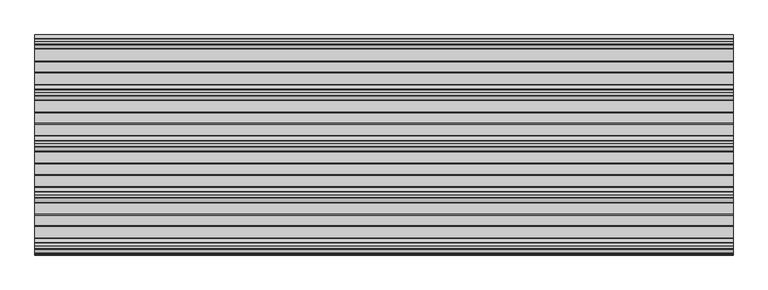
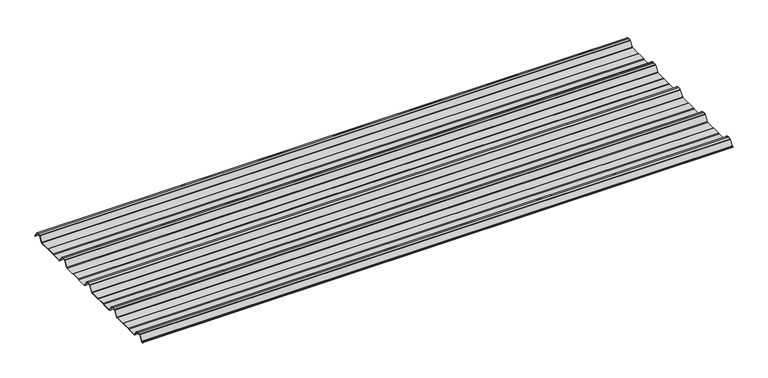
"""IFC4 building model written with IfcOpenShell, lengths in millimetres: beam geometry."""

from ifc_helpers import new_model, si_unit, point, frame, frame_2d, origin, place, context, project, spatial, polyline, circle_curve, trimmed, segment, composite_curve, outline, extrude, source, transform, mapped, element, save


def beam_6eb492fa(model_context):
    return source(origin(), model_context, "Body", "SweptSolid", [
        extrude(outline(composite_curve([segment(polyline([(-72.2377386, -25.7896475), (-76.3538889, -24.06703), (-113.6461111, -24.06703), (-117.7622614, -25.7896475), (-160.0, -25.7896475)]), True, "CONTINUOUS"), segment(trimmed(circle_curve(frame_2d((-159.2196788, -21.4509358)), 4.4083239), [point((-160.0, -25.7896475))], [point((-162.8209858, -23.9933574))], False, "CARTESIAN"), True, "CONTINUOUS"), segment(polyline([(-162.8209858, -23.9933574), (-178.3273257, -0.5940367)]), True, "CONTINUOUS"), segment(trimmed(circle_curve(frame_2d((-180.8929255, -2.3855242)), 3.1291741), [point((-178.3273257, -0.5940367))], [point((-179.9028031, 0.582874))], True, "CARTESIAN"), True, "CONTINUOUS"), segment(trimmed(circle_curve(frame_2d((-189.9940851, -29.8891871)), 32.0995402), [point((-179.9028031, 0.582874))], [point((-190.0, 2.2103525))], True, "CARTESIAN"), True, "CONTINUOUS"), segment(trimmed(circle_curve(frame_2d((-190.0059149, -29.8891871)), 32.0995402), [point((-190.0, 2.2103525))], [point((-200.0971969, 0.582874))], True, "CARTESIAN"), True, "CONTINUOUS"), segment(trimmed(circle_curve(frame_2d((-199.1070745, -2.3855242)), 3.1291741), [point((-200.0971969, 0.582874))], [point((-201.6726743, -0.5940367))], True, "CARTESIAN"), True, "CONTINUOUS"), segment(polyline([(-201.6726743, -0.5940367), (-217.1790142, -23.9933574)]), True, "CONTINUOUS"), segment(trimmed(circle_curve(frame_2d((-220.7803212, -21.4509358)), 4.4083239), [point((-217.1790142, -23.9933574))], [point((-220.0, -25.7896475))], False, "CARTESIAN"), True, "CONTINUOUS"), segment(polyline([(-220.0, -25.7896475), (-262.2377386, -25.7896475), (-266.3538889, -24.06703), (-303.6461111, -24.06703), (-307.7622614, -25.7896475), (-350.0, -25.7896475)]), True, "CONTINUOUS"), segment(trimmed(circle_curve(frame_2d((-349.2196788, -21.4509358)), 4.4083239), [point((-350.0, -25.7896475))], [point((-352.8209858, -23.9933574))], False, "CARTESIAN"), True, "CONTINUOUS"), segment(polyline([(-352.8209858, -23.9933574), (-368.3273257, -0.5940367)]), True, "CONTINUOUS"), segment(trimmed(circle_curve(frame_2d((-370.8929255, -2.3855242)), 3.1291741), [point((-368.3273257, -0.5940367))], [point((-369.9028031, 0.582874))], True, "CARTESIAN"), True, "CONTINUOUS"), segment(trimmed(circle_curve(frame_2d((-379.9940851, -29.8891871)), 32.0995402), [point((-369.9028031, 0.582874))], [point((-380.0, 2.2103525))], True, "CARTESIAN"), True, "CONTINUOUS"), segment(trimmed(circle_curve(frame_2d((-380.0059149, -29.8891871)), 32.0995402), [point((-380.0, 2.2103525))], [point((-390.0971969, 0.582874))], True, "CARTESIAN"), True, "CONTINUOUS"), segment(trimmed(circle_curve(frame_2d((-389.1070745, -2.3855242)), 3.1291741), [point((-390.0971969, 0.582874))], [point((-391.6726743, -0.5940367))], True, "CARTESIAN"), True, "CONTINUOUS"), segment(polyline([(-391.6726743, -0.5940367), (-407.1790142, -23.9933574)]), True, "CONTINUOUS"), segment(trimmed(circle_curve(frame_2d((-410.7803212, -21.4509358)), 4.4083239), [point((-407.1790142, -23.9933574))], [point((-410.0, -25.7896475))], False, "CARTESIAN"), True, "CONTINUOUS"), segment(polyline([(-410.0, -25.7896475), (-452.2377387, -25.7896475), (-456.3538889, -24.06703), (-493.6461111, -24.06703), (-497.7622614, -25.7896475), (-540.0, -25.7896475)]), True, "CONTINUOUS"), segment(trimmed(circle_curve(frame_2d((-539.2196788, -21.4509358)), 4.4083239), [point((-540.0, -25.7896475))], [point((-542.8209858, -23.9933574))], False, "CARTESIAN"), True, "CONTINUOUS"), segment(polyline([(-542.8209858, -23.9933574), (-558.3273257, -0.5940367)]), True, "CONTINUOUS"), segment(trimmed(circle_curve(frame_2d((-560.8929255, -2.3855242)), 3.1291741), [point((-558.3273257, -0.5940367))], [point((-559.9028031, 0.582874))], True, "CARTESIAN"), True, "CONTINUOUS"), segment(trimmed(circle_curve(frame_2d((-569.9940851, -29.8891871)), 32.0995402), [point((-559.9028031, 0.582874))], [point((-570.0, 2.2103525))], True, "CARTESIAN"), True, "CONTINUOUS"), segment(trimmed(circle_curve(frame_2d((-570.0059149, -29.8891871)), 32.0995402), [point((-570.0, 2.2103525))], [point((-580.0971969, 0.582874))], True, "CARTESIAN"), True, "CONTINUOUS"), segment(trimmed(circle_curve(frame_2d((-579.1070745, -2.3855242)), 3.1291741), [point((-580.0971969, 0.582874))], [point((-581.6726743, -0.5940367))], True, "CARTESIAN"), True, "CONTINUOUS"), segment(polyline([(-581.6726743, -0.5940367), (-597.1790142, -23.9933574)]), True, "CONTINUOUS"), segment(trimmed(circle_curve(frame_2d((-600.7803212, -21.4509358)), 4.4083239), [point((-597.1790142, -23.9933574))], [point((-600.0, -25.7896475))], False, "CARTESIAN"), True, "CONTINUOUS"), segment(polyline([(-600.0, -25.7896475), (-642.2377387, -25.7896475), (-646.3538889, -24.06703), (-683.6461111, -24.06703), (-687.7622614, -25.7896475), (-730.0, -25.7896475)]), True, "CONTINUOUS"), segment(trimmed(circle_curve(frame_2d((-729.2196788, -21.4509358)), 4.4083239), [point((-730.0, -25.7896475))], [point((-732.8209858, -23.9933574))], False, "CARTESIAN"), True, "CONTINUOUS"), segment(polyline([(-732.8209858, -23.9933574), (-748.3273257, -0.5940367)]), True, "CONTINUOUS"), segment(trimmed(circle_curve(frame_2d((-750.8929255, -2.3855242)), 3.1291741), [point((-748.3273257, -0.5940367))], [point((-749.9028031, 0.582874))], True, "CARTESIAN"), True, "CONTINUOUS"), segment(trimmed(circle_curve(frame_2d((-759.9940851, -29.8891871)), 32.0995402), [point((-749.9028031, 0.582874))], [point((-760.0, 2.2103525))], True, "CARTESIAN"), True, "CONTINUOUS"), segment(trimmed(circle_curve(frame_2d((-760.0059149, -29.8891871)), 32.0995402), [point((-760.0, 2.2103525))], [point((-770.0971969, 0.582874))], True, "CARTESIAN"), True, "CONTINUOUS"), segment(trimmed(circle_curve(frame_2d((-769.1070745, -2.3855242)), 3.1291741), [point((-770.0971969, 0.582874))], [point((-771.6726743, -0.5940367))], True, "CARTESIAN"), True, "CONTINUOUS"), segment(polyline([(-771.6726743, -0.5940367), (-785.8536479, -21.993358)]), True, "CONTINUOUS"), segment(trimmed(circle_curve(frame_2d((-789.4549545, -19.4509358)), 4.4083239), [point((-785.8536479, -21.993358))], [point((-788.6746333, -23.7896475))], False, "CARTESIAN"), True, "CONTINUOUS"), segment(polyline([(-788.6746333, -23.7896475), (-792.3232685, -23.7896475)]), True, "CONTINUOUS"), segment(trimmed(circle_curve(frame_2d((-792.3232685, -23.2896475)), 0.5), [point((-792.3232685, -23.7896475))], [point((-792.3232685, -22.7896475))], False, "CARTESIAN"), True, "CONTINUOUS"), segment(polyline([(-792.3232685, -22.7896475), (-788.769625, -22.7896475)]), True, "CONTINUOUS"), segment(trimmed(circle_curve(frame_2d((-789.4549545, -19.4509358)), 3.4083239), [point((-788.769625, -22.7896475))], [point((-786.6785605, -21.42788))], True, "CARTESIAN"), True, "CONTINUOUS"), segment(polyline([(-786.6785605, -21.42788), (-772.5, -0.0322)]), True, "CONTINUOUS"), segment(trimmed(circle_curve(frame_2d((-769.1070745, -2.3855242)), 4.1291741), [point((-772.5, -0.0322))], [point((-770.41253, 1.5318556))], False, "CARTESIAN"), True, "CONTINUOUS"), segment(trimmed(circle_curve(frame_2d((-760.0059149, -29.8891871)), 33.0995402), [point((-770.41253, 1.5318556))], [point((-760.0, 3.2103525))], False, "CARTESIAN"), True, "CONTINUOUS"), segment(trimmed(circle_curve(frame_2d((-759.9940851, -29.8891871)), 33.0995402), [point((-760.0, 3.2103525))], [point((-749.58747, 1.5318556))], False, "CARTESIAN"), True, "CONTINUOUS"), segment(trimmed(circle_curve(frame_2d((-750.8929255, -2.3855242)), 4.1291741), [point((-749.58747, 1.5318556))], [point((-747.5, -0.0322))], False, "CARTESIAN"), True, "CONTINUOUS"), segment(polyline([(-747.5, -0.0322), (-732.1223092, -23.2373872)]), True, "CONTINUOUS"), segment(trimmed(circle_curve(frame_2d((-729.2196788, -21.4509358)), 3.4083239), [point((-732.1223092, -23.2373872))], [point((-729.9050084, -24.7896475))], True, "CARTESIAN"), True, "CONTINUOUS"), segment(polyline([(-729.9050084, -24.7896475), (-687.9630742, -24.7896475), (-683.846924, -23.06703), (-646.1530761, -23.06703), (-642.0369258, -24.7896475), (-600.0949917, -24.7896475)]), True, "CONTINUOUS"), segment(trimmed(circle_curve(frame_2d((-600.7803212, -21.4509358)), 3.4083239), [point((-600.0949917, -24.7896475))], [point((-597.8776908, -23.2373872))], True, "CARTESIAN"), True, "CONTINUOUS"), segment(polyline([(-597.8776908, -23.2373872), (-582.5, -0.0322)]), True, "CONTINUOUS"), segment(trimmed(circle_curve(frame_2d((-579.1070745, -2.3855242)), 4.1291741), [point((-582.5, -0.0322))], [point((-580.41253, 1.5318556))], False, "CARTESIAN"), True, "CONTINUOUS"), segment(trimmed(circle_curve(frame_2d((-570.0059149, -29.8891871)), 33.0995402), [point((-580.41253, 1.5318556))], [point((-570.0, 3.2103525))], False, "CARTESIAN"), True, "CONTINUOUS"), segment(trimmed(circle_curve(frame_2d((-569.9940851, -29.8891871)), 33.0995402), [point((-570.0, 3.2103525))], [point((-559.58747, 1.5318556))], False, "CARTESIAN"), True, "CONTINUOUS"), segment(trimmed(circle_curve(frame_2d((-560.8929255, -2.3855242)), 4.1291741), [point((-559.58747, 1.5318556))], [point((-557.5, -0.0322))], False, "CARTESIAN"), True, "CONTINUOUS"), segment(polyline([(-557.5, -0.0322), (-542.1223092, -23.2373872)]), True, "CONTINUOUS"), segment(trimmed(circle_curve(frame_2d((-539.2196788, -21.4509358)), 3.4083239), [point((-542.1223092, -23.2373872))], [point((-539.9050084, -24.7896475))], True, "CARTESIAN"), True, "CONTINUOUS"), segment(polyline([(-539.9050084, -24.7896475), (-497.9630742, -24.7896475), (-493.846924, -23.06703), (-456.1530761, -23.06703), (-452.0369258, -24.7896475), (-410.0949917, -24.7896475)]), True, "CONTINUOUS"), segment(trimmed(circle_curve(frame_2d((-410.7803212, -21.4509358)), 3.4083239), [point((-410.0949917, -24.7896475))], [point((-407.8776908, -23.2373872))], True, "CARTESIAN"), True, "CONTINUOUS"), segment(polyline([(-407.8776908, -23.2373872), (-392.5, -0.0322)]), True, "CONTINUOUS"), segment(trimmed(circle_curve(frame_2d((-389.1070745, -2.3855242)), 4.1291741), [point((-392.5, -0.0322))], [point((-390.41253, 1.5318556))], False, "CARTESIAN"), True, "CONTINUOUS"), segment(trimmed(circle_curve(frame_2d((-380.0059149, -29.8891871)), 33.0995402), [point((-390.41253, 1.5318556))], [point((-380.0, 3.2103525))], False, "CARTESIAN"), True, "CONTINUOUS"), segment(trimmed(circle_curve(frame_2d((-379.9940851, -29.8891871)), 33.0995402), [point((-380.0, 3.2103525))], [point((-369.58747, 1.5318556))], False, "CARTESIAN"), True, "CONTINUOUS"), segment(trimmed(circle_curve(frame_2d((-370.8929255, -2.3855242)), 4.1291741), [point((-369.58747, 1.5318556))], [point((-367.5, -0.0322))], False, "CARTESIAN"), True, "CONTINUOUS"), segment(polyline([(-367.5, -0.0322), (-352.1223092, -23.2373872)]), True, "CONTINUOUS"), segment(trimmed(circle_curve(frame_2d((-349.2196788, -21.4509358)), 3.4083239), [point((-352.1223092, -23.2373872))], [point((-349.9050084, -24.7896475))], True, "CARTESIAN"), True, "CONTINUOUS"), segment(polyline([(-349.9050084, -24.7896475), (-307.9630742, -24.7896475), (-303.846924, -23.06703), (-266.153076, -23.06703), (-262.0369258, -24.7896475), (-220.0949917, -24.7896475)]), True, "CONTINUOUS"), segment(trimmed(circle_curve(frame_2d((-220.7803212, -21.4509358)), 3.4083239), [point((-220.0949917, -24.7896475))], [point((-217.8776908, -23.2373872))], True, "CARTESIAN"), True, "CONTINUOUS"), segment(polyline([(-217.8776908, -23.2373872), (-202.5, -0.0322)]), True, "CONTINUOUS"), segment(trimmed(circle_curve(frame_2d((-199.1070745, -2.3855242)), 4.1291741), [point((-202.5, -0.0322))], [point((-200.41253, 1.5318556))], False, "CARTESIAN"), True, "CONTINUOUS"), segment(trimmed(circle_curve(frame_2d((-190.0059149, -29.8891871)), 33.0995402), [point((-200.41253, 1.5318556))], [point((-190.0, 3.2103525))], False, "CARTESIAN"), True, "CONTINUOUS"), segment(trimmed(circle_curve(frame_2d((-189.9940851, -29.8891871)), 33.0995402), [point((-190.0, 3.2103525))], [point((-179.58747, 1.5318556))], False, "CARTESIAN"), True, "CONTINUOUS"), segment(trimmed(circle_curve(frame_2d((-180.8929255, -2.3855242)), 4.1291741), [point((-179.58747, 1.5318556))], [point((-177.5, -0.0322))], False, "CARTESIAN"), True, "CONTINUOUS"), segment(polyline([(-177.5, -0.0322), (-162.1223092, -23.2373872)]), True, "CONTINUOUS"), segment(trimmed(circle_curve(frame_2d((-159.2196788, -21.4509358)), 3.4083239), [point((-162.1223092, -23.2373872))], [point((-159.9050084, -24.7896475))], True, "CARTESIAN"), True, "CONTINUOUS"), segment(polyline([(-159.9050084, -24.7896475), (-117.9630742, -24.7896475), (-113.846924, -23.06703), (-76.153076, -23.06703), (-72.0369258, -24.7896475), (-27.6957008, -24.7896475)]), True, "CONTINUOUS"), segment(trimmed(circle_curve(frame_2d((-28.3810303, -21.4509358)), 3.4083239), [point((-27.6957008, -24.7896475))], [point((-25.6046359, -23.4278795))], True, "CARTESIAN"), True, "CONTINUOUS"), segment(polyline([(-25.6046359, -23.4278795), (-10.8390947, -1.146436)]), True, "CONTINUOUS"), segment(trimmed(circle_curve(frame_2d((-9.2408211, -2.2055853)), 1.9173616), [point((-10.8390947, -1.146436))], [point((-9.7828223, -0.366425))], False, "CARTESIAN"), True, "CONTINUOUS"), segment(trimmed(circle_curve(frame_2d((-0.0059149, -29.8891871)), 31.0995402), [point((-9.7828223, -0.366425))], [point((0.0, 1.2103525))], False, "CARTESIAN"), True, "CONTINUOUS"), segment(trimmed(circle_curve(frame_2d((0.0059149, -29.8891871)), 31.0995402), [point((0.0, 1.2103525))], [point((9.7828223, -0.366425))], False, "CARTESIAN"), True, "CONTINUOUS"), segment(trimmed(circle_curve(frame_2d((9.2408211, -2.2055853)), 1.9173616), [point((9.7828223, -0.366425))], [point((10.8390947, -1.146436))], False, "CARTESIAN"), True, "CONTINUOUS"), segment(polyline([(10.8390947, -1.146436), (25.1846039, -22.7940443)]), True, "CONTINUOUS"), segment(trimmed(circle_curve(frame_2d((24.7678141, -23.0702439)), 0.5), [point((25.1846039, -22.7940443))], [point((24.3510243, -23.3464436))], False, "CARTESIAN"), True, "CONTINUOUS"), segment(polyline([(24.3510243, -23.3464436), (10.1734573, -1.9522629)]), True, "CONTINUOUS"), segment(trimmed(circle_curve(frame_2d((8.6614124, -2.9542699)), 1.8139178), [point((10.1734573, -1.9522629))], [point((9.071517, -1.18732))], True, "CARTESIAN"), True, "CONTINUOUS"), segment(trimmed(circle_curve(frame_2d((0.0059149, -29.8891871)), 30.0995402), [point((9.071517, -1.18732))], [point((0.0, 0.2103525))], True, "CARTESIAN"), True, "CONTINUOUS"), segment(trimmed(circle_curve(frame_2d((-0.0059149, -29.8891871)), 30.0995402), [point((0.0, 0.2103525))], [point((-9.071517, -1.18732))], True, "CARTESIAN"), True, "CONTINUOUS"), segment(trimmed(circle_curve(frame_2d((-8.6614124, -2.9542699)), 1.8139178), [point((-9.071517, -1.18732))], [point((-10.1734573, -1.9522629))], True, "CARTESIAN"), True, "CONTINUOUS"), segment(polyline([(-10.1734573, -1.9522629), (-24.7797233, -23.9933574)]), True, "CONTINUOUS"), segment(trimmed(circle_curve(frame_2d((-28.3810303, -21.4509358)), 4.4083239), [point((-24.7797233, -23.9933574))], [point((-27.6007091, -25.7896475))], False, "CARTESIAN"), True, "CONTINUOUS"), segment(polyline([(-27.6007091, -25.7896475), (-72.2377386, -25.7896475)]), True, "CONTINUOUS")], self_intersect=False)), frame((-1297.4962986, 0.0, 0.0), z_axis=(1.0, 0.0, 0.0), x_axis=(0.0, 1.0, 0.0)), (0.0, 0.0, 1.0), 2594.9925972),
    ])


if __name__ == "__main__":
    model = new_model("IFC4")
    model_context = context("Model", 3, world=origin())
    ifc_project = project(units=[si_unit("LENGTHUNIT", "METRE", prefix="MILLI")], contexts=[model_context])
    site = spatial("IfcSite", under=ifc_project)
    building = spatial("IfcBuilding", under=site)
    placement = place(None, origin())
    beam_shape = beam_6eb492fa(model_context)
    element("IfcBeam", 1, at=placement, inside=building, context=model_context, shape_type="MappedRepresentation", body=[
        mapped(beam_shape, transform((0.0, 0.0, 0.0), x_axis=(1.0, 0.0, 0.0), y_axis=(0.0, 1.0, 0.0), z_axis=(0.0, 0.0, 1.0))),
    ])
    save(model, "model.ifc")
